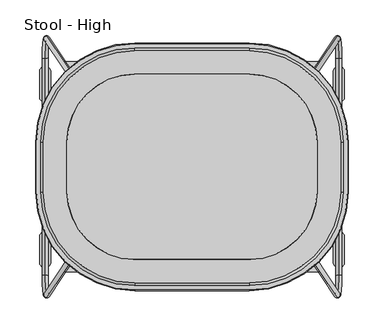
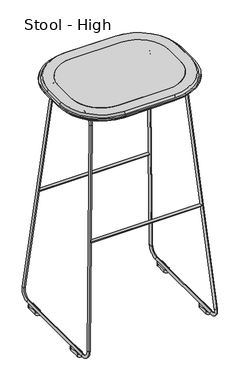
"""IFC4 building model written with IfcOpenShell, lengths in millimetres: furniture geometry, Stool - High."""

from ifc_helpers import new_model, si_unit, point, frame, frame_2d, origin, origin_with_axes, place, context, project, spatial, polyline, circle_curve, ellipse_curve, trimmed, segment, composite_curve, outline, extrude, source, transform, mapped, element, save
from ifc_brep_helpers import plane_surface, cylinder_surface, revolved_surface, advanced_brep


def stool_high_3ec42018(model_context):
    return source(origin(), model_context, "Body", "SolidModel", [
        advanced_brep(
        [(-152.2219568, 73.8518427, 767.2896891), (-151.7075535, 73.8518427, 775.2105032), (152.2243044, 73.8518427, 767.2896891), (151.7099011, 73.8518427, 775.2105032)],
        [
            (0, 1, circle_curve(frame((-151.9647551, 73.8518427, 771.2500961), z_axis=(-0.9978978351611841, 0.0, 0.06480671709492986), x_axis=(0.06480671709492986, 0.0, 0.9978978351611841)), 3.96875)),
            (1, 0, circle_curve(frame((-151.9647551, 73.8518427, 771.2500961), z_axis=(-0.9978978351611841, 0.0, 0.06480671709492986), x_axis=(0.06480671709492986, 0.0, 0.9978978351611841)), 3.96875)),
            (2, 3, circle_curve(frame((151.9671028, 73.8518427, 771.2500961), z_axis=(0.9978978351611819, 0.0, 0.06480671709496476), x_axis=(-0.06480671709496476, 0.0, 0.9978978351611819)), 3.96875)),
            (3, 2, circle_curve(frame((151.9671028, 73.8518427, 771.2500961), z_axis=(0.9978978351611819, 0.0, 0.06480671709496476), x_axis=(-0.06480671709496476, 0.0, 0.9978978351611819)), 3.96875)),
            (3, 1, circle_curve(frame((0.0011738, 73.8518427, 3111.2308621), z_axis=(0.0, 1.0, 0.0), x_axis=(-0.06480671709492986, 0.0, -0.9978978351611841)), 2340.9414036)),
            (0, 2, circle_curve(frame((0.0011738, 73.8518427, 3111.2308621), z_axis=(0.0, -1.0, 0.0), x_axis=(-0.06480671709492986, 0.0, -0.9978978351611841)), 2348.8789036)),
        ],
        [
            plane_surface(frame((-152.2223582, 0.0, 767.2835074), z_axis=(-0.9978978351611841, 0.0, 0.06480671709492986), x_axis=(0.0, -1.0, 0.0))),
            plane_surface(frame((152.2247059, 0.0, 767.2835074), z_axis=(0.9978978351611818, 0.0, 0.06480671709496476), x_axis=(0.0, -1.0, 0.0))),
            revolved_surface(trimmed(ellipse_curve(frame((-151.9647551, 73.8518427, 771.2500961), z_axis=(-0.9978978351611841, 0.0, 0.06480671709492986), x_axis=(0.06480671709492986, 0.0, 0.9978978351611841)), 3.96875, 3.96875), [point((-152.2219568, 73.8518427, 767.2896891))], [point((-151.7075535, 73.8518427, 775.2105032))], True, "CARTESIAN"), (0.0011738, 0.0, 3111.2308621), (0.0, -1.0, 0.0)),
            revolved_surface(trimmed(ellipse_curve(frame((-151.9647551, 73.8518427, 771.2500961), z_axis=(-0.9978978351611841, 0.0, 0.06480671709492986), x_axis=(0.06480671709492986, 0.0, 0.9978978351611841)), 3.96875, 3.96875), [point((-151.7075535, 73.8518427, 775.2105032))], [point((-152.2219568, 73.8518427, 767.2896891))], True, "CARTESIAN"), (0.0011738, 0.0, 3111.2308621), (0.0, -1.0, 0.0)),
        ],
        [
            (0, [[1, 2]]),
            (1, [[3, 4]]),
            (2, [[5, -1, 6, -4]]),
            (3, [[-6, -2, -5, -3]]),
        ],
    ),
        advanced_brep(
        [(-152.2219568, -73.8518427, 767.2896891), (-151.7075535, -73.8518427, 775.2105032), (152.2243044, -73.8518427, 767.2896891), (151.7099011, -73.8518427, 775.2105032)],
        [
            (0, 1, circle_curve(frame((-151.9647551, -73.8518427, 771.2500961), z_axis=(-0.9978978351611841, 0.0, 0.06480671709492986), x_axis=(0.06480671709492986, 0.0, 0.9978978351611841)), 3.96875)),
            (1, 0, circle_curve(frame((-151.9647551, -73.8518427, 771.2500961), z_axis=(-0.9978978351611841, 0.0, 0.06480671709492986), x_axis=(0.06480671709492986, 0.0, 0.9978978351611841)), 3.96875)),
            (2, 3, circle_curve(frame((151.9671028, -73.8518427, 771.2500961), z_axis=(0.9978978351611819, 0.0, 0.06480671709496476), x_axis=(-0.06480671709496476, 0.0, 0.9978978351611819)), 3.96875)),
            (3, 2, circle_curve(frame((151.9671028, -73.8518427, 771.2500961), z_axis=(0.9978978351611819, 0.0, 0.06480671709496476), x_axis=(-0.06480671709496476, 0.0, 0.9978978351611819)), 3.96875)),
            (3, 1, circle_curve(frame((0.0011738, -73.8518427, 3111.2308621), z_axis=(0.0, 1.0, 0.0), x_axis=(-0.06480671709492986, 0.0, -0.9978978351611841)), 2340.9414036)),
            (0, 2, circle_curve(frame((0.0011738, -73.8518427, 3111.2308621), z_axis=(0.0, -1.0, 0.0), x_axis=(-0.06480671709492986, 0.0, -0.9978978351611841)), 2348.8789036)),
        ],
        [
            plane_surface(frame((-152.2223582, 0.0, 767.2835074), z_axis=(-0.9978978351611841, 0.0, 0.06480671709492986), x_axis=(0.0, -1.0, 0.0))),
            plane_surface(frame((152.2247059, 0.0, 767.2835074), z_axis=(0.9978978351611818, 0.0, 0.06480671709496476), x_axis=(0.0, -1.0, 0.0))),
            revolved_surface(trimmed(ellipse_curve(frame((-151.9647551, -73.8518427, 771.2500961), z_axis=(-0.9978978351611841, 0.0, 0.06480671709492986), x_axis=(0.06480671709492986, 0.0, 0.9978978351611841)), 3.96875, 3.96875), [point((-152.2219568, -73.8518427, 767.2896891))], [point((-151.7075535, -73.8518427, 775.2105032))], True, "CARTESIAN"), (0.0011738, 0.0, 3111.2308621), (0.0, -1.0, 0.0)),
            revolved_surface(trimmed(ellipse_curve(frame((-151.9647551, -73.8518427, 771.2500961), z_axis=(-0.9978978351611841, 0.0, 0.06480671709492986), x_axis=(0.06480671709492986, 0.0, 0.9978978351611841)), 3.96875, 3.96875), [point((-151.7075535, -73.8518427, 775.2105032))], [point((-152.2219568, -73.8518427, 767.2896891))], True, "CARTESIAN"), (0.0011738, 0.0, 3111.2308621), (0.0, -1.0, 0.0)),
        ],
        [
            (0, [[1, 2]]),
            (1, [[3, 4]]),
            (2, [[5, -1, 6, -4]]),
            (3, [[-6, -2, -5, -3]]),
        ],
    ),
        advanced_brep(
        [(203.260303, -175.4787441, 41.2943989), (205.1160044, -152.1003304, 15.3464097), (205.6999446, -152.1003304, 7.1812623), (203.1981559, -183.618253, 42.1633927), (153.1665218, -108.5468838, 741.7480958), (153.228669, -100.4073749, 740.879102), (151.3252048, -70.715026, 767.4949508), (150.7412646, -70.715026, 775.6600981), (150.7412646, 70.715026, 775.6600981), (151.3252048, 70.715026, 767.4949508), (153.228669, 100.4073749, 740.879102), (153.1665218, 108.5468838, 741.7480958), (203.1981559, 183.618253, 42.1633927), (203.260303, 175.4787441, 41.2943989), (205.1160044, 152.1003304, 15.3464097), (205.6999446, 152.1003304, 7.1812623)],
        [
            (0, 1, circle_curve(frame((203.4388028, -152.1003304, 38.7984626), z_axis=(0.9974524850554426, 0.0, 0.07133400350970177), x_axis=(0.07133400350970177, 0.0, -0.9974524850554426)), 23.5119499)),
            (1, 2, circle_curve(frame((205.4079745, -152.1003304, 11.263836), z_axis=(0.0, -1.0, 0.0), x_axis=(0.07133400350970176, 0.0, -0.9974524850554426)), 4.0930007)),
            (2, 3, circle_curve(frame((203.4388028, -152.1003304, 38.7984626), z_axis=(-0.9974524850554426, 0.0, -0.07133400350970177), x_axis=(0.07133400350970177, 0.0, -0.9974524850554426)), 31.6979512)),
            (3, 0, circle_curve(frame((203.2292294, -179.5484985, 41.7288958), z_axis=(0.07092886182656054, -0.10642720112781383, -0.9917874507272658), x_axis=(-0.0075918783387792215, -0.9943204970531886, 0.1061560762424333)), 4.0930007)),
            (2, 1, circle_curve(frame((205.4079745, -152.1003304, 11.263836), z_axis=(0.0, -1.0, 0.0), x_axis=(0.07133400350970176, 0.0, -0.9974524850554426)), 4.0930007)),
            (0, 3, circle_curve(frame((203.2292294, -179.5484985, 41.7288958), z_axis=(0.07092886182656054, -0.10642720112781427, -0.9917874507272657), x_axis=(-0.007591878338779254, -0.9943204970531885, 0.10615607624243374)), 4.0930007)),
            (3, 4),
            (4, 5, circle_curve(frame((153.1975954, -104.4771293, 741.3135989), z_axis=(0.07092886182656041, -0.1064272011278203, -0.9917874507272652), x_axis=(-0.007591878338779707, -0.9943204970531878, 0.10615607624243974)), 4.0930007)),
            (5, 0),
            (5, 4, circle_curve(frame((153.1975954, -104.4771293, 741.3135989), z_axis=(0.07092886182656041, -0.1064272011278203, -0.9917874507272652), x_axis=(-0.007591878338779707, -0.9943204970531878, 0.10615607624243974)), 4.0930007)),
            (6, 5, circle_curve(frame((153.4553773, -70.715026, 737.7090746), z_axis=(0.9974524850554426, 0.0, 0.07133400350970177), x_axis=(-0.0075918783387791365, -0.9943204970531886, 0.10615607624243231)), 29.8619499)),
            (4, 7, circle_curve(frame((153.4553773, -70.715026, 737.7090746), z_axis=(-0.9974524850554426, 0.0, -0.07133400350970177), x_axis=(-0.0075918783387791365, -0.9943204970531886, 0.10615607624243231)), 38.0479512)),
            (7, 6, circle_curve(frame((151.0332347, -70.715026, 771.5775244), z_axis=(0.0, -1.0, 0.0), x_axis=(-0.07133400350970182, 0.0, 0.9974524850554426)), 4.0930007)),
            (6, 7, circle_curve(frame((151.0332347, -70.715026, 771.5775244), z_axis=(0.0, -1.0, 0.0), x_axis=(-0.07133400350970182, 0.0, 0.9974524850554425)), 4.0930007)),
            (7, 8),
            (8, 9, circle_curve(frame((151.0332347, 70.715026, 771.5775244), z_axis=(0.0, -1.0, 0.0), x_axis=(-0.07133400350970182, 0.0, 0.9974524850554426)), 4.0930007)),
            (9, 6),
            (9, 8, circle_curve(frame((151.0332347, 70.715026, 771.5775244), z_axis=(0.0, -1.0, 0.0), x_axis=(-0.07133400350970182, 0.0, 0.9974524850554426)), 4.0930007)),
            (10, 9, circle_curve(frame((153.4553773, 70.715026, 737.7090746), z_axis=(0.9974524850554426, 0.0, 0.07133400350970177), x_axis=(-0.07133400350970177, 0.0, 0.9974524850554426)), 29.8619499)),
            (8, 11, circle_curve(frame((153.4553773, 70.715026, 737.7090746), z_axis=(-0.9974524850554426, 0.0, -0.07133400350970177), x_axis=(-0.07133400350970177, 0.0, 0.9974524850554426)), 38.0479512)),
            (11, 10, circle_curve(frame((153.1975954, 104.4771293, 741.3135989), z_axis=(-0.07092886182656048, -0.10642720112782901, 0.9917874507272642), x_axis=(-0.007591878338780332, 0.9943204970531869, 0.10615607624244844)), 4.0930007)),
            (10, 11, circle_curve(frame((153.1975954, 104.4771293, 741.3135989), z_axis=(-0.07092886182656048, -0.10642720112782857, 0.9917874507272642), x_axis=(-0.0075918783387803005, 0.9943204970531869, 0.106156076242448)), 4.0930007)),
            (11, 12),
            (12, 13, circle_curve(frame((203.2292294, 179.5484985, 41.7288958), z_axis=(-0.07092886182656048, -0.10642720112782057, 0.991787450727265), x_axis=(-0.007591878338779721, 0.9943204970531878, 0.10615607624244003)), 4.0930007)),
            (13, 10),
            (13, 12, circle_curve(frame((203.2292294, 179.5484985, 41.7288958), z_axis=(-0.07092886182656048, -0.10642720112782057, 0.991787450727265), x_axis=(-0.007591878338779721, 0.9943204970531878, 0.10615607624244003)), 4.0930007)),
            (14, 13, circle_curve(frame((203.4388028, 152.1003304, 38.7984626), z_axis=(0.9974524850554426, 0.0, 0.07133400350970177), x_axis=(-0.007591878338779681, 0.9943204970531878, 0.10615607624243992)), 23.5119499)),
            (12, 15, circle_curve(frame((203.4388028, 152.1003304, 38.7984626), z_axis=(-0.9974524850554426, 0.0, -0.07133400350970177), x_axis=(-0.007591878338779681, 0.9943204970531878, 0.10615607624243992)), 31.6979512)),
            (15, 14, circle_curve(frame((205.4079745, 152.1003304, 11.263836), z_axis=(0.0, 1.0, 0.0), x_axis=(0.07133400350970173, 0.0, -0.9974524850554426)), 4.0930007)),
            (14, 15, circle_curve(frame((205.4079745, 152.1003304, 11.263836), z_axis=(0.0, 1.0, 0.0), x_axis=(0.07133400350970172, 0.0, -0.9974524850554426)), 4.0930007)),
            (15, 2),
            (1, 14),
        ],
        [
            revolved_surface(trimmed(ellipse_curve(frame((205.4079745, -152.1003304, 11.263836), z_axis=(0.0, 1.0, 0.0), x_axis=(0.07133400350970176, 0.0, -0.9974524850554426)), 4.0930007, 4.0930007), [point((205.6999446, -152.1003304, 7.1812623))], [point((205.1160044, -152.1003304, 15.3464097))], True, "CARTESIAN"), (204.0252812, -152.1003304, 38.8404053), (-0.9974524850554426, 0.0, -0.07133400350970177)),
            revolved_surface(trimmed(ellipse_curve(frame((205.4079745, -152.1003304, 11.263836), z_axis=(0.0, 1.0, 0.0), x_axis=(0.07133400350970176, 0.0, -0.9974524850554426)), 4.0930007, 4.0930007), [point((205.1160044, -152.1003304, 15.3464097))], [point((205.6999446, -152.1003304, 7.1812623))], True, "CARTESIAN"), (204.0252812, -152.1003304, 38.8404053), (-0.9974524850554426, 0.0, -0.07133400350970177)),
            cylinder_surface(frame((203.2292294, -179.5484985, 41.7288958), z_axis=(0.07092886182656041, -0.1064272011278203, -0.9917874507272652), x_axis=(-0.007591878338779707, -0.9943204970531878, 0.10615607624243974)), 4.0930007),
            revolved_surface(trimmed(ellipse_curve(frame((153.1975954, -104.4771293, 741.3135989), z_axis=(0.07092886182656052, -0.10642720112781275, -0.9917874507272658), x_axis=(-0.007591878338779174, -0.9943204970531886, 0.10615607624243223)), 4.0930007, 4.0930007), [point((153.1665218, -108.5468838, 741.7480958))], [point((153.228669, -100.4073749, 740.879102))], True, "CARTESIAN"), (154.0418556, -70.715026, 737.7510173), (-0.9974524850554426, 0.0, -0.07133400350970177)),
            revolved_surface(trimmed(ellipse_curve(frame((153.1975954, -104.4771293, 741.3135989), z_axis=(0.07092886182656052, -0.10642720112781275, -0.9917874507272658), x_axis=(-0.007591878338779174, -0.9943204970531886, 0.10615607624243223)), 4.0930007, 4.0930007), [point((153.228669, -100.4073749, 740.879102))], [point((153.1665218, -108.5468838, 741.7480958))], True, "CARTESIAN"), (154.0418556, -70.715026, 737.7510173), (-0.9974524850554426, 0.0, -0.07133400350970177)),
            cylinder_surface(frame((151.0332347, -70.715026, 771.5775244), z_axis=(0.0, -1.0000000000000002, 0.0), x_axis=(-0.07133400350970182, 0.0, 0.9974524850554426)), 4.0930007),
            revolved_surface(trimmed(ellipse_curve(frame((151.0332347, 70.715026, 771.5775244), z_axis=(0.0, -1.0, 0.0), x_axis=(-0.07133400350970182, 0.0, 0.9974524850554426)), 4.0930007, 4.0930007), [point((150.7412646, 70.715026, 775.6600981))], [point((151.3252048, 70.715026, 767.4949508))], True, "CARTESIAN"), (154.0418556, 70.715026, 737.7510173), (-0.9974524850554426, 0.0, -0.07133400350970177)),
            revolved_surface(trimmed(ellipse_curve(frame((151.0332347, 70.715026, 771.5775244), z_axis=(0.0, -1.0, 0.0), x_axis=(-0.07133400350970182, 0.0, 0.9974524850554426)), 4.0930007, 4.0930007), [point((151.3252048, 70.715026, 767.4949508))], [point((150.7412646, 70.715026, 775.6600981))], True, "CARTESIAN"), (154.0418556, 70.715026, 737.7510173), (-0.9974524850554426, 0.0, -0.07133400350970177)),
            cylinder_surface(frame((153.1975954, 104.4771293, 741.3135989), z_axis=(-0.07092886182656048, -0.10642720112782057, 0.991787450727265), x_axis=(-0.007591878338779721, 0.9943204970531878, 0.10615607624244003)), 4.0930007),
            revolved_surface(trimmed(ellipse_curve(frame((203.2292294, 179.5484985, 41.7288958), z_axis=(-0.07092886182656055, -0.1064272011278207, 0.991787450727265), x_axis=(-0.007591878338779734, 0.9943204970531878, 0.10615607624244015)), 4.0930007, 4.0930007), [point((203.1981559, 183.618253, 42.1633927))], [point((203.260303, 175.4787441, 41.2943989))], True, "CARTESIAN"), (204.0252812, 152.1003304, 38.8404053), (-0.9974524850554426, 0.0, -0.07133400350970177)),
            revolved_surface(trimmed(ellipse_curve(frame((203.2292294, 179.5484985, 41.7288958), z_axis=(-0.07092886182656055, -0.1064272011278207, 0.991787450727265), x_axis=(-0.007591878338779734, 0.9943204970531878, 0.10615607624244015)), 4.0930007, 4.0930007), [point((203.260303, 175.4787441, 41.2943989))], [point((203.1981559, 183.618253, 42.1633927))], True, "CARTESIAN"), (204.0252812, 152.1003304, 38.8404053), (-0.9974524850554426, 0.0, -0.07133400350970177)),
            cylinder_surface(frame((205.4079745, 152.1003304, 11.263836), z_axis=(0.0, 1.0, 0.0), x_axis=(0.07133400350970175, 0.0, -0.9974524850554426)), 4.0930007),
        ],
        [
            (0, [[1, 2, 3, 4]]),
            (1, [[-3, 5, -1, 6]]),
            (2, [[-4, 7, 8, 9]]),
            (2, [[-6, -9, 10, -7]]),
            (3, [[11, -8, 12, 13]]),
            (4, [[-12, -10, -11, 14]]),
            (5, [[-13, 15, 16, 17]]),
            (5, [[-14, -17, 18, -15]]),
            (6, [[19, -16, 20, 21]]),
            (7, [[-20, -18, -19, 22]]),
            (8, [[-21, 23, 24, 25]]),
            (8, [[-22, -25, 26, -23]]),
            (9, [[27, -24, 28, 29]]),
            (10, [[-28, -26, -27, 30]]),
            (11, [[-29, 31, -2, 32]]),
            (11, [[-30, -32, -5, -31]]),
        ],
    ),
        advanced_brep(
        [(-203.1981559, -183.618253, 42.1633927), (-205.6999446, -152.1003304, 7.1812623), (-205.1160044, -152.1003304, 15.3464097), (-203.260303, -175.4787441, 41.2943989), (-153.228669, -100.4073749, 740.879102), (-153.1665218, -108.5468838, 741.7480958), (-150.7412646, -70.715026, 775.6600981), (-151.3252048, -70.715026, 767.4949508), (-151.3252048, 70.715026, 767.4949508), (-150.7412646, 70.715026, 775.6600981), (-153.1665218, 108.5468838, 741.7480958), (-153.228669, 100.4073749, 740.879102), (-203.260303, 175.4787441, 41.2943989), (-203.1981559, 183.618253, 42.1633927), (-205.6999446, 152.1003304, 7.1812623), (-205.1160044, 152.1003304, 15.3464097)],
        [
            (0, 1, circle_curve(frame((-203.4388028, -152.1003304, 38.7984626), z_axis=(0.9974524850554426, 0.0, -0.07133400350970177), x_axis=(-0.07133400350970177, 0.0, -0.9974524850554426)), 31.6979512)),
            (1, 2, circle_curve(frame((-205.4079745, -152.1003304, 11.263836), z_axis=(0.0, -1.0, 0.0), x_axis=(-0.0713340035097018, 0.0, -0.9974524850554426)), 4.0930007)),
            (2, 3, circle_curve(frame((-203.4388028, -152.1003304, 38.7984626), z_axis=(-0.9974524850554426, 0.0, 0.07133400350970177), x_axis=(-0.07133400350970177, 0.0, -0.9974524850554426)), 23.5119499)),
            (3, 0, circle_curve(frame((-203.2292294, -179.5484985, 41.7288958), z_axis=(-0.07092886182656054, -0.10642720112781394, -0.9917874507272658), x_axis=(0.007591878338779188, -0.9943204970531886, 0.10615607624243341)), 4.0930007)),
            (2, 1, circle_curve(frame((-205.4079745, -152.1003304, 11.263836), z_axis=(0.0, -1.0, 0.0), x_axis=(-0.0713340035097018, 0.0, -0.9974524850554426)), 4.0930007)),
            (0, 3, circle_curve(frame((-203.2292294, -179.5484985, 41.7288958), z_axis=(-0.07092886182656054, -0.10642720112781372, -0.9917874507272658), x_axis=(0.007591878338779172, -0.9943204970531886, 0.10615607624243319)), 4.0930007)),
            (3, 4),
            (4, 5, circle_curve(frame((-153.1975954, -104.4771293, 741.3135989), z_axis=(-0.07092886182656041, -0.1064272011278204, -0.9917874507272652), x_axis=(0.007591878338779666, -0.9943204970531878, 0.10615607624243985)), 4.0930007)),
            (5, 0),
            (5, 4, circle_curve(frame((-153.1975954, -104.4771293, 741.3135989), z_axis=(-0.07092886182656041, -0.1064272011278204, -0.9917874507272652), x_axis=(0.007591878338779666, -0.9943204970531878, 0.10615607624243985)), 4.0930007)),
            (6, 5, circle_curve(frame((-153.4553773, -70.715026, 737.7090746), z_axis=(0.9974524850554426, 0.0, -0.07133400350970177), x_axis=(0.007591878338779388, -0.9943204970531883, 0.10615607624243582)), 38.0479512)),
            (4, 7, circle_curve(frame((-153.4553773, -70.715026, 737.7090746), z_axis=(-0.9974524850554426, 0.0, 0.07133400350970177), x_axis=(0.007591878338779388, -0.9943204970531883, 0.10615607624243582)), 29.8619499)),
            (7, 6, circle_curve(frame((-151.0332347, -70.715026, 771.5775244), z_axis=(0.0, -1.0, 0.0), x_axis=(0.07133400350970175, 0.0, 0.9974524850554426)), 4.0930007)),
            (6, 7, circle_curve(frame((-151.0332347, -70.715026, 771.5775244), z_axis=(0.0, -1.0, 0.0), x_axis=(0.07133400350970176, 0.0, 0.9974524850554426)), 4.0930007)),
            (7, 8),
            (8, 9, circle_curve(frame((-151.0332347, 70.715026, 771.5775244), z_axis=(0.0, -1.0, 0.0), x_axis=(0.07133400350970175, 0.0, 0.9974524850554426)), 4.0930007)),
            (9, 6),
            (9, 8, circle_curve(frame((-151.0332347, 70.715026, 771.5775244), z_axis=(0.0, -1.0, 0.0), x_axis=(0.07133400350970175, 0.0, 0.9974524850554426)), 4.0930007)),
            (10, 9, circle_curve(frame((-153.4553773, 70.715026, 737.7090746), z_axis=(0.9974524850554426, 0.0, -0.07133400350970177), x_axis=(0.07133400350970177, 0.0, 0.9974524850554426)), 38.0479512)),
            (8, 11, circle_curve(frame((-153.4553773, 70.715026, 737.7090746), z_axis=(-0.9974524850554426, 0.0, 0.07133400350970177), x_axis=(0.07133400350970177, 0.0, 0.9974524850554426)), 29.8619499)),
            (11, 10, circle_curve(frame((-153.1975954, 104.4771293, 741.3135989), z_axis=(0.07092886182656051, -0.10642720112782776, 0.9917874507272643), x_axis=(0.007591878338780174, 0.994320497053187, 0.10615607624244719)), 4.0930007)),
            (10, 11, circle_curve(frame((-153.1975954, 104.4771293, 741.3135989), z_axis=(0.0709288618265605, -0.10642720112782841, 0.9917874507272642), x_axis=(0.00759187833878022, 0.9943204970531869, 0.10615607624244784)), 4.0930007)),
            (11, 12),
            (12, 13, circle_curve(frame((-203.2292294, 179.5484985, 41.7288958), z_axis=(0.07092886182656051, -0.10642720112782042, 0.991787450727265), x_axis=(0.0075918783387796535, 0.9943204970531878, 0.10615607624243988)), 4.0930007)),
            (13, 10),
            (13, 12, circle_curve(frame((-203.2292294, 179.5484985, 41.7288958), z_axis=(0.07092886182656051, -0.10642720112782042, 0.991787450727265), x_axis=(0.0075918783387796535, 0.9943204970531878, 0.10615607624243988)), 4.0930007)),
            (14, 13, circle_curve(frame((-203.4388028, 152.1003304, 38.7984626), z_axis=(0.9974524850554426, 0.0, -0.07133400350970177), x_axis=(0.007591878338779681, 0.9943204970531878, 0.10615607624243992)), 31.6979512)),
            (12, 15, circle_curve(frame((-203.4388028, 152.1003304, 38.7984626), z_axis=(-0.9974524850554426, 0.0, 0.07133400350970177), x_axis=(0.007591878338779681, 0.9943204970531878, 0.10615607624243992)), 23.5119499)),
            (15, 14, circle_curve(frame((-205.4079745, 152.1003304, 11.263836), z_axis=(0.0, 1.0, 0.0), x_axis=(-0.07133400350970179, 0.0, -0.9974524850554426)), 4.0930007)),
            (14, 15, circle_curve(frame((-205.4079745, 152.1003304, 11.263836), z_axis=(0.0, 1.0, 0.0), x_axis=(-0.0713340035097018, 0.0, -0.9974524850554426)), 4.0930007)),
            (15, 2),
            (1, 14),
        ],
        [
            revolved_surface(trimmed(ellipse_curve(frame((-205.4079745, -152.1003304, 11.263836), z_axis=(0.0, 1.0, 0.0), x_axis=(-0.0713340035097018, 0.0, -0.9974524850554426)), 4.0930007, 4.0930007), [point((-205.1160044, -152.1003304, 15.3464097))], [point((-205.6999446, -152.1003304, 7.1812623))], True, "CARTESIAN"), (-204.0252812, -152.1003304, 38.8404053), (-0.9974524850554426, 0.0, 0.07133400350970177)),
            revolved_surface(trimmed(ellipse_curve(frame((-205.4079745, -152.1003304, 11.263836), z_axis=(0.0, 1.0, 0.0), x_axis=(-0.0713340035097018, 0.0, -0.9974524850554426)), 4.0930007, 4.0930007), [point((-205.6999446, -152.1003304, 7.1812623))], [point((-205.1160044, -152.1003304, 15.3464097))], True, "CARTESIAN"), (-204.0252812, -152.1003304, 38.8404053), (-0.9974524850554426, 0.0, 0.07133400350970177)),
            cylinder_surface(frame((-203.2292294, -179.5484985, 41.7288958), z_axis=(-0.07092886182656041, -0.1064272011278204, -0.9917874507272652), x_axis=(0.007591878338779666, -0.9943204970531878, 0.10615607624243985)), 4.0930007),
            revolved_surface(trimmed(ellipse_curve(frame((-153.1975954, -104.4771293, 741.3135989), z_axis=(-0.07092886182656048, -0.10642720112781638, -0.9917874507272655), x_axis=(0.007591878338779381, -0.9943204970531883, 0.10615607624243584)), 4.0930007, 4.0930007), [point((-153.228669, -100.4073749, 740.879102))], [point((-153.1665218, -108.5468838, 741.7480958))], True, "CARTESIAN"), (-154.0418556, -70.715026, 737.7510173), (-0.9974524850554426, 0.0, 0.07133400350970177)),
            revolved_surface(trimmed(ellipse_curve(frame((-153.1975954, -104.4771293, 741.3135989), z_axis=(-0.07092886182656048, -0.10642720112781638, -0.9917874507272655), x_axis=(0.007591878338779381, -0.9943204970531883, 0.10615607624243584)), 4.0930007, 4.0930007), [point((-153.1665218, -108.5468838, 741.7480958))], [point((-153.228669, -100.4073749, 740.879102))], True, "CARTESIAN"), (-154.0418556, -70.715026, 737.7510173), (-0.9974524850554426, 0.0, 0.07133400350970177)),
            cylinder_surface(frame((-151.0332347, -70.715026, 771.5775244), z_axis=(0.0, -1.0000000000000002, 0.0), x_axis=(0.07133400350970175, 0.0, 0.9974524850554426)), 4.0930007),
            revolved_surface(trimmed(ellipse_curve(frame((-151.0332347, 70.715026, 771.5775244), z_axis=(0.0, -1.0, 0.0), x_axis=(0.07133400350970175, 0.0, 0.9974524850554426)), 4.0930007, 4.0930007), [point((-151.3252048, 70.715026, 767.4949508))], [point((-150.7412646, 70.715026, 775.6600981))], True, "CARTESIAN"), (-154.0418556, 70.715026, 737.7510173), (-0.9974524850554426, 0.0, 0.07133400350970177)),
            revolved_surface(trimmed(ellipse_curve(frame((-151.0332347, 70.715026, 771.5775244), z_axis=(0.0, -1.0, 0.0), x_axis=(0.07133400350970175, 0.0, 0.9974524850554426)), 4.0930007, 4.0930007), [point((-150.7412646, 70.715026, 775.6600981))], [point((-151.3252048, 70.715026, 767.4949508))], True, "CARTESIAN"), (-154.0418556, 70.715026, 737.7510173), (-0.9974524850554426, 0.0, 0.07133400350970177)),
            cylinder_surface(frame((-153.1975954, 104.4771293, 741.3135989), z_axis=(0.07092886182656051, -0.10642720112782042, 0.991787450727265), x_axis=(0.0075918783387796535, 0.9943204970531878, 0.10615607624243988)), 4.0930007),
            revolved_surface(trimmed(ellipse_curve(frame((-203.2292294, 179.5484985, 41.7288958), z_axis=(0.07092886182656058, -0.10642720112782049, 0.991787450727265), x_axis=(0.007591878338779663, 0.9943204970531878, 0.10615607624243995)), 4.0930007, 4.0930007), [point((-203.260303, 175.4787441, 41.2943989))], [point((-203.1981559, 183.618253, 42.1633927))], True, "CARTESIAN"), (-204.0252812, 152.1003304, 38.8404053), (-0.9974524850554426, 0.0, 0.07133400350970177)),
            revolved_surface(trimmed(ellipse_curve(frame((-203.2292294, 179.5484985, 41.7288958), z_axis=(0.07092886182656058, -0.10642720112782049, 0.991787450727265), x_axis=(0.007591878338779663, 0.9943204970531878, 0.10615607624243995)), 4.0930007, 4.0930007), [point((-203.1981559, 183.618253, 42.1633927))], [point((-203.260303, 175.4787441, 41.2943989))], True, "CARTESIAN"), (-204.0252812, 152.1003304, 38.8404053), (-0.9974524850554426, 0.0, 0.07133400350970177)),
            cylinder_surface(frame((-205.4079745, 152.1003304, 11.263836), z_axis=(0.0, 1.0, 0.0), x_axis=(-0.07133400350970179, 0.0, -0.9974524850554426)), 4.0930007),
        ],
        [
            (0, [[1, 2, 3, 4]]),
            (1, [[-3, 5, -1, 6]]),
            (2, [[-4, 7, 8, 9]]),
            (2, [[-6, -9, 10, -7]]),
            (3, [[11, -8, 12, 13]]),
            (4, [[-12, -10, -11, 14]]),
            (5, [[-13, 15, 16, 17]]),
            (5, [[-14, -17, 18, -15]]),
            (6, [[19, -16, 20, 21]]),
            (7, [[-20, -18, -19, 22]]),
            (8, [[-21, 23, 24, 25]]),
            (8, [[-22, -25, 26, -23]]),
            (9, [[27, -24, 28, 29]]),
            (10, [[-28, -26, -27, 30]]),
            (11, [[-29, 31, -2, 32]]),
            (11, [[-30, -32, -5, -31]]),
        ],
    ),
        extrude(outline(composite_curve([segment(trimmed(circle_curve(frame_2d((-205.4079654, -98.4608338)), 7.937497), [point((-213.3454624, -98.4608338))], [point((-197.4704684, -98.4608338))], False, "CARTESIAN"), True, "CONTINUOUS"), segment(polyline([(-197.4704684, -98.4608338), (-197.4704684, -133.2109976)]), True, "CONTINUOUS"), segment(trimmed(circle_curve(frame_2d((-205.4079654, -133.2109976)), 7.937497), [point((-197.4704684, -133.2109976))], [point((-213.3454624, -133.2109976))], False, "CARTESIAN"), True, "CONTINUOUS"), segment(polyline([(-213.3454624, -133.2109976), (-213.3454624, -98.4608338)]), True, "CONTINUOUS")], self_intersect=False)), origin_with_axes(), (0.0, 0.0, 1.0), 9.5254122),
        extrude(outline(composite_curve([segment(polyline([(-213.3454624, 98.4608338), (-213.3454624, 133.2109976)]), True, "CONTINUOUS"), segment(trimmed(circle_curve(frame_2d((-205.4079654, 133.2109976)), 7.937497), [point((-213.3454624, 133.2109976))], [point((-197.4704684, 133.2109976))], False, "CARTESIAN"), True, "CONTINUOUS"), segment(polyline([(-197.4704684, 133.2109976), (-197.4704684, 98.4608338)]), True, "CONTINUOUS"), segment(trimmed(circle_curve(frame_2d((-205.4079654, 98.4608338)), 7.937497), [point((-197.4704684, 98.4608338))], [point((-213.3454624, 98.4608338))], False, "CARTESIAN"), True, "CONTINUOUS")], self_intersect=False)), origin_with_axes(), (0.0, 0.0, 1.0), 9.5254122),
        extrude(outline(composite_curve([segment(polyline([(213.3454624, -98.4608338), (213.3454624, -133.2109976)]), True, "CONTINUOUS"), segment(trimmed(circle_curve(frame_2d((205.4079654, -133.2109976)), 7.937497), [point((213.3454624, -133.2109976))], [point((197.4704684, -133.2109976))], False, "CARTESIAN"), True, "CONTINUOUS"), segment(polyline([(197.4704684, -133.2109976), (197.4704684, -98.4608338)]), True, "CONTINUOUS"), segment(trimmed(circle_curve(frame_2d((205.4079654, -98.4608338)), 7.937497), [point((197.4704684, -98.4608338))], [point((213.3454624, -98.4608338))], False, "CARTESIAN"), True, "CONTINUOUS")], self_intersect=False)), origin_with_axes(), (0.0, 0.0, 1.0), 9.5254122),
        extrude(outline(composite_curve([segment(trimmed(circle_curve(frame_2d((205.4079654, 98.4608338)), 7.937497), [point((213.3454624, 98.4608338))], [point((197.4704684, 98.4608338))], False, "CARTESIAN"), True, "CONTINUOUS"), segment(polyline([(197.4704684, 98.4608338), (197.4704684, 133.2109976)]), True, "CONTINUOUS"), segment(trimmed(circle_curve(frame_2d((205.4079654, 133.2109976)), 7.937497), [point((197.4704684, 133.2109976))], [point((213.3454624, 133.2109976))], False, "CARTESIAN"), True, "CONTINUOUS"), segment(polyline([(213.3454624, 133.2109976), (213.3454624, 98.4608338)]), True, "CONTINUOUS")], self_intersect=False)), origin_with_axes(), (0.0, 0.0, 1.0), 9.5254122),
        extrude(outline(composite_curve([segment(trimmed(circle_curve(frame_2d((-143.301265, 380.5816105)), 3.96875), [point((-147.270015, 380.5816105))], [point((-139.332515, 380.5816105))], False, "CARTESIAN"), True, "CONTINUOUS"), segment(trimmed(circle_curve(frame_2d((-143.301265, 380.5816105)), 3.96875), [point((-139.332515, 380.5816105))], [point((-147.270015, 380.5816105))], False, "CARTESIAN"), True, "CONTINUOUS")], self_intersect=False)), frame((-177.8, 0.0, 0.0), z_axis=(1.0, 0.0, 0.0), x_axis=(0.0, 1.0, 0.0)), (0.0, 0.0, 1.0), 355.6),
        extrude(outline(composite_curve([segment(trimmed(circle_curve(frame_2d((143.301265, 380.5816105)), 3.96875), [point((147.270015, 380.5816105))], [point((139.332515, 380.5816105))], False, "CARTESIAN"), True, "CONTINUOUS"), segment(trimmed(circle_curve(frame_2d((143.301265, 380.5816105)), 3.96875), [point((139.332515, 380.5816105))], [point((147.270015, 380.5816105))], False, "CARTESIAN"), True, "CONTINUOUS")], self_intersect=False)), frame((-177.8, 0.0, 0.0), z_axis=(1.0, 0.0, 0.0), x_axis=(0.0, 1.0, 0.0)), (0.0, 0.0, 1.0), 355.6),
        advanced_brep(
        [(-175.021491, -34.925, 798.2493229), (-80.1154768, -129.8310142, 798.2493229), (80.1154768, -129.8310142, 798.2493229), (175.021491, -34.925, 798.2493229), (175.021491, 34.925, 798.2493229), (80.1154768, 129.8310142, 798.2493229), (-80.1154768, 129.8310142, 798.2493229), (-175.021491, 34.925, 798.2493229), (-178.5135382, -34.925, 774.7250418), (-178.5135382, 34.925, 774.7250418), (-80.1154768, 133.3230614, 774.7250418), (80.1154768, 133.3230614, 774.7250418), (178.5135382, 34.925, 774.7250418), (178.5135382, -34.925, 774.7250418), (80.1154768, -133.3230614, 774.7250418), (-80.1154768, -133.3230614, 774.7250418)],
        [
            (0, 1, circle_curve(frame((-80.1154768, -34.925, 798.2493229), z_axis=(0.0, 0.0, 1.0), x_axis=(-1.0000000000000002, 0.0, 0.0)), 94.9060142)),
            (1, 2),
            (2, 3, circle_curve(frame((80.1154768, -34.925, 798.2493229), z_axis=(0.0, 0.0, 1.0), x_axis=(0.0, -1.0000000000000002, 0.0)), 94.9060142)),
            (3, 4),
            (4, 5, circle_curve(frame((80.1154768, 34.925, 798.2493229), z_axis=(0.0, 0.0, 1.0), x_axis=(1.0000000000000002, 0.0, 0.0)), 94.9060142)),
            (5, 6),
            (6, 7, circle_curve(frame((-80.1154768, 34.925, 798.2493229), z_axis=(0.0, 0.0, 1.0), x_axis=(0.0, 1.0000000000000002, 0.0)), 94.9060142)),
            (7, 0),
            (8, 9),
            (9, 10, circle_curve(frame((-80.1154768, 34.925, 774.7250418), z_axis=(0.0, 0.0, -1.0), x_axis=(0.0, 1.0000000000000002, 0.0)), 98.3980614)),
            (10, 11),
            (11, 12, circle_curve(frame((80.1154768, 34.925, 774.7250418), z_axis=(0.0, 0.0, -1.0), x_axis=(1.0000000000000002, 0.0, 0.0)), 98.3980614)),
            (12, 13),
            (13, 14, circle_curve(frame((80.1154768, -34.925, 774.7250418), z_axis=(0.0, 0.0, -1.0), x_axis=(0.0, -1.0000000000000002, 0.0)), 98.3980614)),
            (14, 15),
            (15, 8, circle_curve(frame((-80.1154768, -34.925, 774.7250418), z_axis=(0.0, 0.0, -1.0), x_axis=(-1.0000000000000002, 0.0, 0.0)), 98.3980614)),
            (15, 1),
            (0, 8),
            (14, 2),
            (13, 3),
            (12, 4),
            (11, 5),
            (10, 6),
            (9, 7),
        ],
        [
            plane_surface(frame((0.0, 0.0, 798.2493229), z_axis=(0.0, 0.0, 1.0), x_axis=(0.0, 1.0, 0.0))),
            plane_surface(frame((0.0, 0.0, 774.7250418), z_axis=(0.0, 0.0, -1.0), x_axis=(0.0, 1.0, 0.0))),
            revolved_surface(polyline([(-175.0214909970936, -34.925, 798.2493229), (-178.5135382, -34.925, 774.7250418)]), (-80.1154768, -34.925, 1437.5865444), (0.0, 0.0, -1.0)),
            plane_surface(frame((0.0, -133.3230614, 774.7250418), z_axis=(0.0, -0.9891609433288521, 0.14683537786506212), x_axis=(1.0, 0.0, 0.0))),
            revolved_surface(polyline([(80.1154768, -129.8310141970936, 798.2493229), (80.1154768, -133.3230614, 774.7250418)]), (80.1154768, -34.925, 1437.5865444), (0.0, 0.0, -1.0)),
            plane_surface(frame((178.5135382, 0.0, 774.7250418), z_axis=(0.9891609433288486, 0.0, 0.14683537786508508), x_axis=(0.0, 1.0, 0.0))),
            revolved_surface(polyline([(175.0214909970936, 34.925, 798.2493229), (178.5135382, 34.925, 774.7250418)]), (80.1154768, 34.925, 1437.5865444), (0.0, 0.0, -1.0)),
            plane_surface(frame((0.0, 133.3230614, 774.7250418), z_axis=(0.0, 0.989160943328852, 0.1468353778650628), x_axis=(-1.0, 0.0, 0.0))),
            revolved_surface(polyline([(-80.1154768, 129.8310141970936, 798.2493229), (-80.1154768, 133.3230614, 774.7250418)]), (-80.1154768, 34.925, 1437.5865444), (0.0, 0.0, -1.0)),
            plane_surface(frame((-178.5135382, 0.0, 774.7250418), z_axis=(-0.9891609433288486, 0.0, 0.14683537786508508), x_axis=(0.0, -1.0, 0.0))),
        ],
        [
            (0, [[1, 2, 3, 4, 5, 6, 7, 8]]),
            (1, [[9, 10, 11, 12, 13, 14, 15, 16]]),
            (2, [[-16, 17, -1, 18]]),
            (3, [[-15, 19, -2, -17]]),
            (4, [[-14, 20, -3, -19]]),
            (5, [[-13, 21, -4, -20]]),
            (6, [[-12, 22, -5, -21]]),
            (7, [[-11, 23, -6, -22]]),
            (8, [[-10, 24, -7, -23]]),
            (9, [[-9, -18, -8, -24]]),
        ],
    ),
        advanced_brep(
        [(80.1154768, 129.8310142, 798.2493229), (-80.1154768, 129.8310142, 798.2493229), (-80.1154768, 133.3230614, 774.7250418), (80.1154768, 133.3230614, 774.7250418), (-80.1154768, -162.6409798, 798.2493229), (80.1154768, -162.6409798, 798.2493229), (207.8314566, -34.925, 798.2493229), (207.8314566, 34.925, 798.2493229), (80.1154768, 162.6409798, 798.2493229), (-80.1154768, 162.6409798, 798.2493229), (-207.8314566, 34.925, 798.2493229), (-207.8314566, -34.925, 798.2493229), (175.021491, 34.925, 798.2493229), (175.021491, -34.925, 798.2493229), (80.1154768, -129.8310142, 798.2493229), (-80.1154768, -129.8310142, 798.2493229), (-175.021491, -34.925, 798.2493229), (-175.021491, 34.925, 798.2493229), (80.1154768, 166.2791169, 790.4473126), (-80.1154768, 166.2791169, 790.4473126), (-80.1154768, -172.6291169, 790.4473126), (80.1154768, -172.6291169, 790.4473126), (217.8195937, -34.925, 790.4473126), (217.8195937, 34.925, 790.4473126), (80.1154768, 172.6291169, 790.4473126), (-80.1154768, 172.6291169, 790.4473126), (-217.8195937, 34.925, 790.4473126), (-217.8195937, -34.925, 790.4473126), (211.4695937, 34.925, 790.4473126), (211.4695937, -34.925, 790.4473126), (80.1154768, -166.2791169, 790.4473126), (-80.1154768, -166.2791169, 790.4473126), (-211.4695937, -34.925, 790.4473126), (-211.4695937, 34.925, 790.4473126), (80.1154768, 173.4175169, 787.5049637), (-80.1154768, 173.4175169, 787.5049637), (218.6079938, 34.925, 787.5049637), (218.6079938, -34.925, 787.5049637), (80.1154768, -173.4175169, 787.5049637), (-80.1154768, -173.4175169, 787.5049637), (-218.6079938, -34.925, 787.5049637), (-218.6079938, 34.925, 787.5049637), (-80.1154768, -167.0675169, 787.5049637), (80.1154768, -167.0675169, 787.5049637), (212.2579938, -34.925, 787.5049637), (212.2579938, 34.925, 787.5049637), (80.1154768, 167.0675169, 787.5049637), (-80.1154768, 167.0675169, 787.5049637), (-212.2579938, 34.925, 787.5049637), (-212.2579938, -34.925, 787.5049637), (80.1154768, 163.4840689, 777.6595211), (-80.1154768, 163.4840689, 777.6595211), (178.5135382, 34.925, 774.7250418), (208.6745457, 34.925, 777.6595211), (178.5135382, -34.925, 774.7250418), (208.6745457, -34.925, 777.6595211), (-178.5135382, 34.925, 774.7250418), (-208.6745457, 34.925, 777.6595211), (-178.5135382, -34.925, 774.7250418), (-208.6745457, -34.925, 777.6595211), (-80.1154768, -133.3230614, 774.7250418), (-80.1154768, -163.4840689, 777.6595211), (80.1154768, -133.3230614, 774.7250418), (80.1154768, -163.4840689, 777.6595211)],
        [
            (0, 1),
            (1, 2),
            (2, 3),
            (3, 0),
            (4, 5),
            (5, 6, circle_curve(frame((80.1154768, -34.925, 798.2493229), z_axis=(0.0, 0.0, 1.0), x_axis=(1.0000000000000002, 0.0, 0.0)), 127.7159798)),
            (6, 7),
            (7, 8, circle_curve(frame((80.1154768, 34.925, 798.2493229), z_axis=(0.0, 0.0, 1.0), x_axis=(1.0000000000000002, 0.0, 0.0)), 127.7159798)),
            (8, 9),
            (9, 10, circle_curve(frame((-80.1154768, 34.925, 798.2493229), z_axis=(0.0, 0.0, 1.0), x_axis=(-1.0000000000000002, 0.0, 0.0)), 127.7159798)),
            (10, 11),
            (11, 4, circle_curve(frame((-80.1154768, -34.925, 798.2493229), z_axis=(0.0, 0.0, 1.0), x_axis=(-1.0000000000000002, 0.0, 0.0)), 127.7159798)),
            (0, 12, circle_curve(frame((80.1154768, 34.925, 798.2493229), z_axis=(0.0, 0.0, -1.0), x_axis=(1.0000000000000002, 0.0, 0.0)), 94.9060142)),
            (12, 13),
            (13, 14, circle_curve(frame((80.1154768, -34.925, 798.2493229), z_axis=(0.0, 0.0, -1.0), x_axis=(1.0000000000000002, 0.0, 0.0)), 94.9060142)),
            (14, 15),
            (15, 16, circle_curve(frame((-80.1154768, -34.925, 798.2493229), z_axis=(0.0, 0.0, -1.0), x_axis=(-1.0000000000000002, 0.0, 0.0)), 94.9060142)),
            (16, 17),
            (17, 1, circle_curve(frame((-80.1154768, 34.925, 798.2493229), z_axis=(0.0, 0.0, -1.0), x_axis=(-1.0000000000000002, 0.0, 0.0)), 94.9060142)),
            (8, 18, circle_curve(frame((80.1154768, 153.8392427, 789.3957548), z_axis=(-1.0, 0.0, 0.0), x_axis=(0.0, 1.0000000000000002, 0.0)), 12.4842398)),
            (18, 19),
            (19, 9, circle_curve(frame((-80.1154768, 153.8392427, 789.3957548), z_axis=(1.0, 0.0, 0.0), x_axis=(0.0, 1.0000000000000002, 0.0)), 12.4842398)),
            (20, 21),
            (21, 22, circle_curve(frame((80.1154768, -34.925, 790.4473126), z_axis=(0.0, 0.0, 1.0), x_axis=(1.0000000000000002, 0.0, 0.0)), 137.7041169)),
            (22, 23),
            (23, 24, circle_curve(frame((80.1154768, 34.925, 790.4473126), z_axis=(0.0, 0.0, 1.0), x_axis=(1.0000000000000002, 0.0, 0.0)), 137.7041169)),
            (24, 25),
            (25, 26, circle_curve(frame((-80.1154768, 34.925, 790.4473126), z_axis=(0.0, 0.0, 1.0), x_axis=(-1.0000000000000002, 0.0, 0.0)), 137.7041169)),
            (26, 27),
            (27, 20, circle_curve(frame((-80.1154768, -34.925, 790.4473126), z_axis=(0.0, 0.0, 1.0), x_axis=(-1.0000000000000002, 0.0, 0.0)), 137.7041169)),
            (18, 28, circle_curve(frame((80.1154768, 34.925, 790.4473126), z_axis=(0.0, 0.0, -1.0), x_axis=(1.0000000000000002, 0.0, 0.0)), 131.3541169)),
            (28, 29),
            (29, 30, circle_curve(frame((80.1154768, -34.925, 790.4473126), z_axis=(0.0, 0.0, -1.0), x_axis=(1.0000000000000002, 0.0, 0.0)), 131.3541169)),
            (30, 31),
            (31, 32, circle_curve(frame((-80.1154768, -34.925, 790.4473126), z_axis=(0.0, 0.0, -1.0), x_axis=(-1.0000000000000002, 0.0, 0.0)), 131.3541169)),
            (32, 33),
            (33, 19, circle_curve(frame((-80.1154768, 34.925, 790.4473126), z_axis=(0.0, 0.0, -1.0), x_axis=(-1.0000000000000002, 0.0, 0.0)), 131.3541169)),
            (24, 34),
            (34, 35),
            (35, 25),
            (34, 36, circle_curve(frame((80.1154768, 34.925, 787.5049637), z_axis=(0.0, 0.0, -1.0), x_axis=(1.0000000000000002, 0.0, 0.0)), 138.4925169)),
            (36, 37),
            (37, 38, circle_curve(frame((80.1154768, -34.925, 787.5049637), z_axis=(0.0, 0.0, -1.0), x_axis=(1.0000000000000002, 0.0, 0.0)), 138.4925169)),
            (38, 39),
            (39, 40, circle_curve(frame((-80.1154768, -34.925, 787.5049637), z_axis=(0.0, 0.0, -1.0), x_axis=(-1.0000000000000002, 0.0, 0.0)), 138.4925169)),
            (40, 41),
            (41, 35, circle_curve(frame((-80.1154768, 34.925, 787.5049637), z_axis=(0.0, 0.0, -1.0), x_axis=(-1.0000000000000002, 0.0, 0.0)), 138.4925169)),
            (42, 43),
            (43, 44, circle_curve(frame((80.1154768, -34.925, 787.5049637), z_axis=(0.0, 0.0, 1.0), x_axis=(1.0000000000000002, 0.0, 0.0)), 132.1425169)),
            (44, 45),
            (45, 46, circle_curve(frame((80.1154768, 34.925, 787.5049637), z_axis=(0.0, 0.0, 1.0), x_axis=(1.0000000000000002, 0.0, 0.0)), 132.1425169)),
            (46, 47),
            (47, 48, circle_curve(frame((-80.1154768, 34.925, 787.5049637), z_axis=(0.0, 0.0, 1.0), x_axis=(-1.0000000000000002, 0.0, 0.0)), 132.1425169)),
            (48, 49),
            (49, 42, circle_curve(frame((-80.1154768, -34.925, 787.5049637), z_axis=(0.0, 0.0, 1.0), x_axis=(-1.0000000000000002, 0.0, 0.0)), 132.1425169)),
            (46, 50, circle_curve(frame((80.1154768, 148.476041, 788.696852), z_axis=(-1.0, 0.0, 0.0), x_axis=(0.0, 1.0000000000000002, 0.0)), 18.6296423)),
            (50, 51),
            (51, 47, circle_curve(frame((-80.1154768, 148.476041, 788.696852), z_axis=(1.0, 0.0, 0.0), x_axis=(0.0, 1.0000000000000002, 0.0)), 18.6296423)),
            (2, 51),
            (50, 3),
            (3, 52, circle_curve(frame((80.1154768, 34.925, 774.7250418), z_axis=(0.0, 0.0, -1.0), x_axis=(1.0000000000000002, 0.0, 0.0)), 98.3980614)),
            (52, 12),
            (50, 53, circle_curve(frame((80.1154768, 34.925, 777.6595211), z_axis=(0.0, 0.0, -1.0), x_axis=(1.0000000000000002, 0.0, 0.0)), 128.5590689)),
            (53, 52),
            (45, 53, circle_curve(frame((193.6665179, 34.925, 788.696852), z_axis=(0.0, 1.0000000000000002, 0.0), x_axis=(0.0, 0.0, 1.0)), 18.6296423)),
            (23, 36),
            (7, 28, circle_curve(frame((199.0297195, 34.925, 789.3957548), z_axis=(0.0, 1.0000000000000002, 0.0), x_axis=(0.0, 0.0, 1.0)), 12.4842398)),
            (52, 54),
            (54, 13),
            (53, 55),
            (55, 54),
            (44, 55, circle_curve(frame((193.6665179, -34.925, 788.696852), z_axis=(0.0, 1.0, 0.0), x_axis=(0.0, 0.0, 1.0)), 18.6296423)),
            (22, 37),
            (6, 29, circle_curve(frame((199.0297195, -34.925, 789.3957548), z_axis=(0.0, 1.0, 0.0), x_axis=(0.0, 0.0, 1.0)), 12.4842398)),
            (17, 56),
            (56, 2, circle_curve(frame((-80.1154768, 34.925, 774.7250418), z_axis=(0.0, 0.0, -1.0), x_axis=(-1.0000000000000002, 0.0, 0.0)), 98.3980614)),
            (56, 57),
            (57, 51, circle_curve(frame((-80.1154768, 34.925, 777.6595211), z_axis=(0.0, 0.0, -1.0), x_axis=(-1.0000000000000002, 0.0, 0.0)), 128.5590689)),
            (57, 48, circle_curve(frame((-193.6665179, 34.925, 788.696852), z_axis=(0.0, 1.0000000000000002, 0.0), x_axis=(0.0, 0.0, 1.0)), 18.6296423)),
            (41, 26),
            (33, 10, circle_curve(frame((-199.0297195, 34.925, 789.3957548), z_axis=(0.0, 1.0000000000000002, 0.0), x_axis=(0.0, 0.0, 1.0)), 12.4842398)),
            (58, 56),
            (16, 58),
            (58, 59),
            (59, 57),
            (59, 49, circle_curve(frame((-193.6665179, -34.925, 788.696852), z_axis=(0.0, 1.0, 0.0), x_axis=(0.0, 0.0, 1.0)), 18.6296423)),
            (40, 27),
            (32, 11, circle_curve(frame((-199.0297195, -34.925, 789.3957548), z_axis=(0.0, 1.0, 0.0), x_axis=(0.0, 0.0, 1.0)), 12.4842398)),
            (60, 58, circle_curve(frame((-80.1154768, -34.925, 774.7250418), z_axis=(0.0, 0.0, -1.0), x_axis=(-1.0000000000000002, 0.0, 0.0)), 98.3980614)),
            (15, 60),
            (60, 61),
            (61, 59, circle_curve(frame((-80.1154768, -34.925, 777.6595211), z_axis=(0.0, 0.0, -1.0), x_axis=(-1.0000000000000002, 0.0, 0.0)), 128.5590689)),
            (61, 42, circle_curve(frame((-80.1154768, -148.476041, 788.696852), z_axis=(-1.0000000000000002, 0.0, 0.0), x_axis=(0.0, 0.0, 1.0)), 18.6296423)),
            (39, 20),
            (31, 4, circle_curve(frame((-80.1154768, -153.8392427, 789.3957548), z_axis=(-1.0000000000000002, 0.0, 0.0), x_axis=(0.0, 0.0, 1.0)), 12.4842398)),
            (62, 60),
            (14, 62),
            (30, 5, circle_curve(frame((80.1154768, -153.8392427, 789.3957548), z_axis=(-1.0, 0.0, 0.0), x_axis=(0.0, -1.0000000000000002, 0.0)), 12.4842398)),
            (38, 21),
            (61, 63),
            (63, 43, circle_curve(frame((80.1154768, -148.476041, 788.696852), z_axis=(-1.0, 0.0, 0.0), x_axis=(0.0, -1.0000000000000002, 0.0)), 18.6296423)),
            (62, 63),
            (54, 62, circle_curve(frame((80.1154768, -34.925, 774.7250418), z_axis=(0.0, 0.0, -1.0), x_axis=(1.0000000000000002, 0.0, 0.0)), 98.3980614)),
            (55, 63, circle_curve(frame((80.1154768, -34.925, 777.6595211), z_axis=(0.0, 0.0, -1.0), x_axis=(1.0000000000000002, 0.0, 0.0)), 128.5590689)),
        ],
        [
            plane_surface(frame((80.1154768, 129.8310142, 798.2493229), z_axis=(0.0, -0.9891609433288518, -0.14683537786506368), x_axis=(-1.0, 0.0, 0.0))),
            plane_surface(frame((80.1154768, 162.6409798, 798.2493229), z_axis=(0.0, 0.0, 1.0), x_axis=(-1.0, 0.0, 0.0))),
            cylinder_surface(frame((-80.1154768, 153.8392427, 789.3957548), z_axis=(1.0000000000000002, 0.0, 0.0), x_axis=(0.0, 1.0000000000000002, 0.0)), 12.4842398),
            plane_surface(frame((80.1154768, 172.6291169, 790.4473126), z_axis=(0.0, 0.0, 1.0), x_axis=(-1.0, 0.0, 0.0))),
            plane_surface(frame((80.1154768, 173.4175169, 787.5049637), z_axis=(0.0, 0.9659258262890752, 0.2588190451024952), x_axis=(-1.0, 0.0, 0.0))),
            plane_surface(frame((80.1154768, 167.0675169, 787.5049637), z_axis=(0.0, 0.0, -1.0), x_axis=(-1.0, 0.0, 0.0))),
            cylinder_surface(frame((-80.1154768, 148.476041, 788.696852), z_axis=(1.0000000000000002, 0.0, 0.0), x_axis=(0.0, 1.0000000000000002, 0.0)), 18.6296423),
            plane_surface(frame((80.1154768, 133.3230614, 774.7250418), z_axis=(0.0, 0.09683655773188508, -0.9953002969388883), x_axis=(-1.0, 0.0, 0.0))),
            revolved_surface(polyline([(175.021491, 34.925, 798.2493229), (178.5135382, 34.925, 774.7250418)]), (80.1154768, 34.925, 910.7074778), (0.0, 0.0, 1.0)),
            revolved_surface(polyline([(178.5135382, 34.925, 774.7250418), (208.6745457, 34.925, 777.6595211)]), (80.1154768, 34.925, 910.7074778), (0.0, 0.0, 1.0)),
            revolved_surface(trimmed(ellipse_curve(frame((193.6665179, 34.925, 788.696852), z_axis=(0.0, -1.0000000000000002, 0.0), x_axis=(0.0, 0.0, 1.0)), 18.6296423, 18.6296423), [point((208.6745457, 34.925, 777.6595211))], [point((212.2579938, 34.925, 787.5049637))], True, "CARTESIAN"), (80.1154768, 34.925, 910.7074778), (0.0, 0.0, 1.0)),
            revolved_surface(polyline([(218.6079938, 34.925, 787.5049637), (217.8195937, 34.925, 790.4473126)]), (80.1154768, 34.925, 910.7074778), (0.0, 0.0, 1.0)),
            revolved_surface(trimmed(ellipse_curve(frame((199.0297195, 34.925, 789.3957548), z_axis=(0.0, -1.0000000000000002, 0.0), x_axis=(0.0, 0.0, 1.0)), 12.4842398, 12.4842398), [point((211.4695937, 34.925, 790.4473126))], [point((207.8314566, 34.925, 798.2493229))], True, "CARTESIAN"), (80.1154768, 34.925, 910.7074778), (0.0, 0.0, 1.0)),
            plane_surface(frame((175.021491, -34.925, 798.2493229), z_axis=(-0.9891609433288492, 0.0, -0.14683537786508166), x_axis=(0.0, 1.0, 0.0))),
            plane_surface(frame((178.5135382, -34.925, 774.7250418), z_axis=(0.09683655773190229, 0.0, -0.9953002969388867), x_axis=(0.0, 1.0, 0.0))),
            cylinder_surface(frame((193.6665179, 34.925, 788.696852), z_axis=(0.0, -1.0000000000000002, 0.0), x_axis=(0.0, 0.0, 1.0)), 18.6296423),
            plane_surface(frame((218.6079938, -34.925, 787.5049637), z_axis=(0.9659258262890694, 0.0, 0.2588190451025166), x_axis=(0.0, 1.0, 0.0))),
            cylinder_surface(frame((199.0297195, 34.925, 789.3957548), z_axis=(0.0, -1.0000000000000002, 0.0), x_axis=(0.0, 0.0, 1.0)), 12.4842398),
            revolved_surface(polyline([(-178.5135382, 34.925, 774.7250418), (-175.021491, 34.925, 798.2493229)]), (-80.1154768, 34.925, 910.7074778), (0.0, 0.0, -1.0)),
            revolved_surface(polyline([(-208.6745457, 34.925, 777.6595211), (-178.5135382, 34.925, 774.7250418)]), (-80.1154768, 34.925, 910.7074778), (0.0, 0.0, -1.0)),
            revolved_surface(trimmed(ellipse_curve(frame((-193.6665179, 34.925, 788.696852), z_axis=(0.0, -1.0000000000000002, 0.0), x_axis=(0.0, 0.0, 1.0)), 18.6296423, 18.6296423), [point((-212.2579938, 34.925, 787.5049637))], [point((-208.6745457, 34.925, 777.6595211))], True, "CARTESIAN"), (-80.1154768, 34.925, 910.7074778), (0.0, 0.0, -1.0)),
            revolved_surface(polyline([(-217.8195937, 34.925, 790.4473126), (-218.6079938, 34.925, 787.5049637)]), (-80.1154768, 34.925, 910.7074778), (0.0, 0.0, -1.0)),
            revolved_surface(trimmed(ellipse_curve(frame((-199.0297195, 34.925, 789.3957548), z_axis=(0.0, -1.0000000000000002, 0.0), x_axis=(0.0, 0.0, 1.0)), 12.4842398, 12.4842398), [point((-207.8314566, 34.925, 798.2493229))], [point((-211.4695937, 34.925, 790.4473126))], True, "CARTESIAN"), (-80.1154768, 34.925, 910.7074778), (0.0, 0.0, -1.0)),
            plane_surface(frame((-178.5135382, -34.925, 774.7250418), z_axis=(0.9891609433288492, 0.0, -0.14683537786508166), x_axis=(0.0, 1.0, 0.0))),
            plane_surface(frame((-208.6745457, -34.925, 777.6595211), z_axis=(-0.09683655773190229, 0.0, -0.9953002969388867), x_axis=(0.0, 1.0, 0.0))),
            cylinder_surface(frame((-193.6665179, 34.925, 788.696852), z_axis=(0.0, -1.0000000000000002, 0.0), x_axis=(0.0, 0.0, 1.0)), 18.6296423),
            plane_surface(frame((-217.8195937, -34.925, 790.4473126), z_axis=(-0.9659258262890694, 0.0, 0.2588190451025166), x_axis=(0.0, 1.0, 0.0))),
            cylinder_surface(frame((-199.0297195, 34.925, 789.3957548), z_axis=(0.0, -1.0000000000000002, 0.0), x_axis=(0.0, 0.0, 1.0)), 12.4842398),
            revolved_surface(polyline([(-175.021491, -34.925, 798.2493229), (-178.5135382, -34.925, 774.7250418)]), (-80.1154768, -34.925, 910.7074778), (0.0, 0.0, 1.0)),
            revolved_surface(polyline([(-178.5135382, -34.925, 774.7250418), (-208.6745457, -34.925, 777.6595211)]), (-80.1154768, -34.925, 910.7074778), (0.0, 0.0, 1.0)),
            revolved_surface(trimmed(ellipse_curve(frame((-193.6665179, -34.925, 788.696852), z_axis=(0.0, 1.0000000000000002, 0.0), x_axis=(0.0, 0.0, 1.0)), 18.6296423, 18.6296423), [point((-208.6745457, -34.925, 777.6595211))], [point((-212.2579938, -34.925, 787.5049637))], True, "CARTESIAN"), (-80.1154768, -34.925, 910.7074778), (0.0, 0.0, 1.0)),
            revolved_surface(polyline([(-218.6079938, -34.925, 787.5049637), (-217.8195937, -34.925, 790.4473126)]), (-80.1154768, -34.925, 910.7074778), (0.0, 0.0, 1.0)),
            revolved_surface(trimmed(ellipse_curve(frame((-199.0297195, -34.925, 789.3957548), z_axis=(0.0, 1.0000000000000002, 0.0), x_axis=(0.0, 0.0, 1.0)), 12.4842398, 12.4842398), [point((-211.4695937, -34.925, 790.4473126))], [point((-207.8314566, -34.925, 798.2493229))], True, "CARTESIAN"), (-80.1154768, -34.925, 910.7074778), (0.0, 0.0, 1.0)),
            plane_surface(frame((80.1154768, -133.3230614, 774.7250418), z_axis=(0.0, 0.9891609433288518, -0.14683537786506368), x_axis=(-1.0, 0.0, 0.0))),
            cylinder_surface(frame((-80.1154768, -153.8392427, 789.3957548), z_axis=(1.0000000000000002, 0.0, 0.0), x_axis=(0.0, -1.0000000000000002, 0.0)), 12.4842398),
            plane_surface(frame((80.1154768, -172.6291169, 790.4473126), z_axis=(0.0, -0.9659258262890752, 0.2588190451024952), x_axis=(-1.0, 0.0, 0.0))),
            cylinder_surface(frame((-80.1154768, -148.476041, 788.696852), z_axis=(1.0000000000000002, 0.0, 0.0), x_axis=(0.0, -1.0000000000000002, 0.0)), 18.6296423),
            plane_surface(frame((80.1154768, -163.4840689, 777.6595211), z_axis=(0.0, -0.09683655773188508, -0.9953002969388883), x_axis=(-1.0, 0.0, 0.0))),
            revolved_surface(polyline([(178.5135382, -34.925, 774.7250418), (175.021491, -34.925, 798.2493229)]), (80.1154768, -34.925, 910.7074778), (0.0, 0.0, -1.0)),
            revolved_surface(polyline([(208.6745457, -34.925, 777.6595211), (178.5135382, -34.925, 774.7250418)]), (80.1154768, -34.925, 910.7074778), (0.0, 0.0, -1.0)),
            revolved_surface(trimmed(ellipse_curve(frame((193.6665179, -34.925, 788.696852), z_axis=(0.0, 1.0000000000000002, 0.0), x_axis=(0.0, 0.0, 1.0)), 18.6296423, 18.6296423), [point((212.2579938, -34.925, 787.5049637))], [point((208.6745457, -34.925, 777.6595211))], True, "CARTESIAN"), (80.1154768, -34.925, 910.7074778), (0.0, 0.0, -1.0)),
            revolved_surface(polyline([(217.8195937, -34.925, 790.4473126), (218.6079938, -34.925, 787.5049637)]), (80.1154768, -34.925, 910.7074778), (0.0, 0.0, -1.0)),
            revolved_surface(trimmed(ellipse_curve(frame((199.0297195, -34.925, 789.3957548), z_axis=(0.0, 1.0000000000000002, 0.0), x_axis=(0.0, 0.0, 1.0)), 12.4842398, 12.4842398), [point((207.8314566, -34.925, 798.2493229))], [point((211.4695937, -34.925, 790.4473126))], True, "CARTESIAN"), (80.1154768, -34.925, 910.7074778), (0.0, 0.0, -1.0)),
        ],
        [
            (0, [[1, 2, 3, 4]]),
            (1, [[5, 6, 7, 8, 9, 10, 11, 12], [-1, 13, 14, 15, 16, 17, 18, 19]]),
            (2, [[-9, 20, 21, 22]]),
            (3, [[23, 24, 25, 26, 27, 28, 29, 30], [-21, 31, 32, 33, 34, 35, 36, 37]]),
            (4, [[-27, 38, 39, 40]]),
            (5, [[-39, 41, 42, 43, 44, 45, 46, 47], [48, 49, 50, 51, 52, 53, 54, 55]]),
            (6, [[-52, 56, 57, 58]]),
            (7, [[-3, 59, -57, 60]]),
            (8, [[61, 62, -13, -4]]),
            (9, [[-61, -60, 63, 64]]),
            (10, [[-63, -56, -51, 65]]),
            (11, [[-41, -38, -26, 66]]),
            (12, [[-31, -20, -8, 67]]),
            (13, [[-14, -62, 68, 69]]),
            (14, [[-68, -64, 70, 71]]),
            (15, [[-70, -65, -50, 72]]),
            (16, [[-42, -66, -25, 73]]),
            (17, [[-32, -67, -7, 74]]),
            (18, [[-19, 75, 76, -2]]),
            (19, [[-76, 77, 78, -59]]),
            (20, [[-78, 79, -53, -58]]),
            (21, [[-47, 80, -28, -40]]),
            (22, [[-37, 81, -10, -22]]),
            (23, [[82, -75, -18, 83]]),
            (24, [[-82, 84, 85, -77]]),
            (25, [[-85, 86, -54, -79]]),
            (26, [[-46, 87, -29, -80]]),
            (27, [[-36, 88, -11, -81]]),
            (28, [[89, -83, -17, 90]]),
            (29, [[-89, 91, 92, -84]]),
            (30, [[-92, 93, -55, -86]]),
            (31, [[-45, 94, -30, -87]]),
            (32, [[-35, 95, -12, -88]]),
            (33, [[96, -90, -16, 97]]),
            (34, [[-5, -95, -34, 98]]),
            (35, [[-23, -94, -44, 99]]),
            (36, [[-48, -93, 100, 101]]),
            (37, [[-96, 102, -100, -91]]),
            (38, [[-15, -69, 103, -97]]),
            (39, [[-103, -71, 104, -102]]),
            (40, [[-104, -72, -49, -101]]),
            (41, [[-43, -73, -24, -99]]),
            (42, [[-33, -74, -6, -98]]),
        ],
    ),
    ])


if __name__ == "__main__":
    model = new_model("IFC4")
    model_context = context("Model", 3, world=origin())
    ifc_project = project(units=[si_unit("LENGTHUNIT", "METRE", prefix="MILLI")], contexts=[model_context])
    site = spatial("IfcSite", under=ifc_project)
    building = spatial("IfcBuilding", under=site)
    placement = place(None, origin())
    stool_high_shape = stool_high_3ec42018(model_context)
    element("IfcFurniture", 1, ObjectType="Stool - High", at=placement, inside=building, context=model_context, shape_type="MappedRepresentation", body=[
        mapped(stool_high_shape, transform((0.0, 0.0, 0.0), x_axis=(1.0, 0.0, 0.0), y_axis=(0.0, 1.0, 0.0), z_axis=(0.0, 0.0, 1.0))),
    ])
    save(model, "model.ifc")
